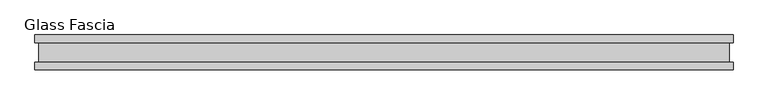
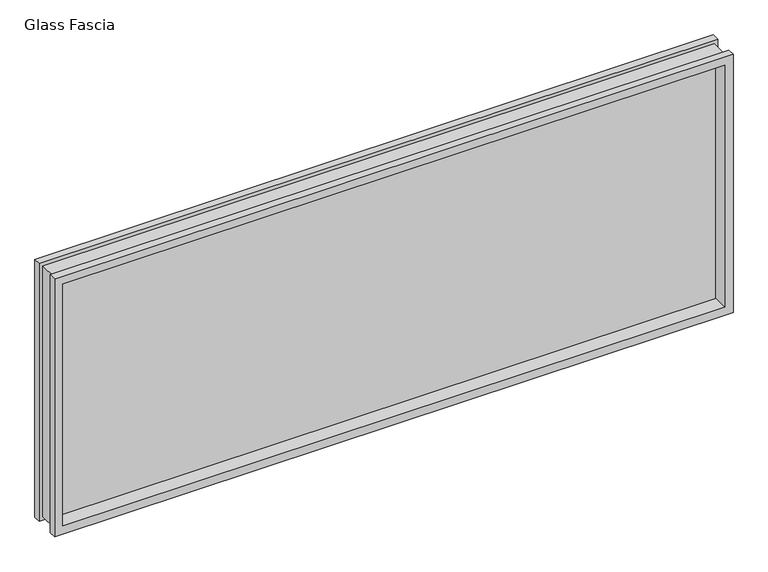
"""IFC4 building model written with IfcOpenShell, lengths in millimetres: proxy geometry, Glass Fascia."""

from ifc_helpers import new_model, si_unit, frame, origin, place, context, project, spatial, polyline, outline, extrude, faceted_brep, source, transform, mapped, element, save


def glass_fascia_7f66fccd(model_context):
    return source(origin(), model_context, "Body", "SolidModel", [
        faceted_brep([(985.6995219, -5.0827449, 793.1305243), (985.6995219, 5.0827449, 793.1305243), (985.6995219, 5.0827449, 17.6374757), (985.6995219, -5.0827449, 17.6374757), (1000.1619976, -28.8801202, 807.593), (1000.1619976, -50.0558594, 807.593), (1000.1619976, -50.0558594, 3.175), (1000.1619976, -28.8801202, 3.175), (989.3369977, 28.2698798, 796.7680001), (989.3369977, -28.8801202, 796.7680001), (989.3369977, -28.8801202, 13.9999999), (989.3369977, 28.2698798, 13.9999999), (1000.1619976, 50.0558594, 807.593), (1000.1619976, 28.2698798, 807.593), (1000.1619976, 28.2698798, 3.175), (1000.1619976, 50.0558594, 3.175), (-985.6995219, 5.0827449, 17.6374757), (-985.6995219, -5.0827449, 17.6374757), (-1000.1619976, -50.0558594, 3.175), (-1000.1619976, -28.8801202, 3.175), (-989.3369977, -28.8801202, 13.9999999), (-989.3369977, 28.2698798, 13.9999999), (-1000.1619976, 28.2698798, 3.175), (-1000.1619976, 50.0558594, 3.175), (-985.6995219, 5.0827449, 793.1305243), (-985.6995219, -5.0827449, 793.1305243), (-1000.1619976, -50.0558594, 807.593), (-1000.1619976, -28.8801202, 807.593), (-989.3369977, -28.8801202, 796.7680001), (-989.3369977, 28.2698798, 796.7680001), (-1000.1619976, 28.2698798, 807.593), (-1000.1619976, 50.0558594, 807.593), (975.2093308, 50.0558594, 782.6403332), (-975.2093308, 50.0558594, 782.6403332), (-975.2093308, 50.0558594, 28.1276668), (975.2093308, 50.0558594, 28.1276668), (975.2093308, 5.0827449, 28.1276668), (-975.2093308, 5.0827449, 28.1276668), (-975.2093308, 5.0827449, 782.6403332), (975.2093308, 5.0827449, 782.6403332), (975.2093308, -5.0827449, 782.6403332), (-975.2093308, -5.0827449, 782.6403332), (-975.2093308, -5.0827449, 28.1276668), (975.2093308, -5.0827449, 28.1276668), (975.2093308, -50.0558594, 28.1276668), (-975.2093308, -50.0558594, 28.1276668), (-975.2093308, -50.0558594, 782.6403332), (975.2093308, -50.0558594, 782.6403332)], [[[0, 1, 2, 3]], [[4, 5, 6, 7]], [[8, 9, 10, 11]], [[12, 13, 14, 15]], [[3, 2, 16, 17]], [[7, 6, 18, 19]], [[11, 10, 20, 21]], [[15, 14, 22, 23]], [[17, 16, 24, 25]], [[19, 18, 26, 27]], [[21, 20, 28, 29]], [[23, 22, 30, 31]], [[15, 23, 31, 12], [32, 33, 34, 35]], [[1, 24, 16, 2], [36, 37, 38, 39]], [[25, 24, 1, 0]], [[3, 17, 25, 0], [40, 41, 42, 43]], [[5, 26, 18, 6], [44, 45, 46, 47]], [[27, 26, 5, 4]], [[7, 19, 27, 4], [9, 28, 20, 10]], [[29, 28, 9, 8]], [[13, 30, 22, 14], [11, 21, 29, 8]], [[31, 30, 13, 12]], [[39, 32, 35, 36]], [[47, 40, 43, 44]], [[36, 35, 34, 37]], [[44, 43, 42, 45]], [[37, 34, 33, 38]], [[45, 42, 41, 46]], [[38, 33, 32, 39]], [[46, 41, 40, 47]]]),
        extrude(outline(polyline([(985.6995219, 2.9765625), (985.6995219, -2.9765625), (-985.6995219, -2.9765625), (-985.6995219, 2.9765625), (985.6995219, 2.9765625)])), frame((0.0, 0.0, 17.6374757), z_axis=(0.0, 0.0, 1.0), x_axis=(1.0, 0.0, 0.0)), (0.0, 0.0, 1.0), 775.4930485),
    ])


if __name__ == "__main__":
    model = new_model("IFC4")
    model_context = context("Model", 3, world=origin())
    ifc_project = project(units=[si_unit("LENGTHUNIT", "METRE", prefix="MILLI")], contexts=[model_context])
    site = spatial("IfcSite", under=ifc_project)
    building = spatial("IfcBuilding", under=site)
    placement = place(None, origin())
    glass_fascia_shape = glass_fascia_7f66fccd(model_context)
    element("IfcBuildingElementProxy", 1, Name="Glass Fascia", ObjectType="Glass Fascia", at=placement, inside=building, context=model_context, shape_type="MappedRepresentation", body=[
        mapped(glass_fascia_shape, transform((0.0, 0.0, 0.0), x_axis=(1.0, 0.0, 0.0), y_axis=(0.0, 1.0, 0.0), z_axis=(0.0, 0.0, 1.0))),
    ])
    save(model, "model.ifc")
